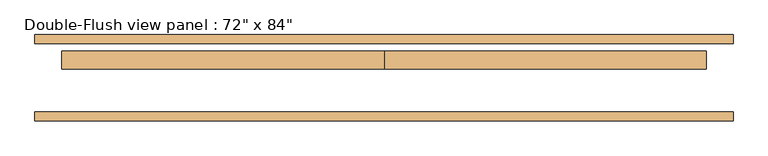
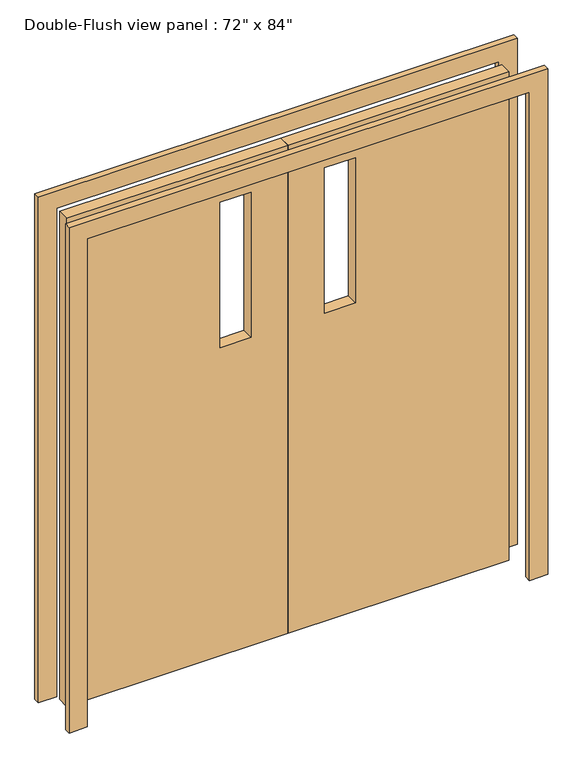
"""IFC4 building model written with IfcOpenShell, lengths in millimetres: door geometry."""

from ifc_helpers import new_model, si_unit, frame, origin, place, context, project, spatial, polyline, outline, extrude, source, transform, mapped, element, save


def door_afaa9343(model_context):
    return source(origin(), model_context, "Body", "SweptSolid", [
        extrude(outline(polyline([(2133.6, 0.0), (2133.6, -914.4), (0.0, -914.4), (0.0, 0.0), (2133.6, 0.0)]), holes=[polyline([(1981.2, -279.4), (1981.2, -152.4), (1346.2, -152.4), (1346.2, -279.4), (1981.2, -279.4)])]), frame((0.0, 25.4, 0.0), z_axis=(0.0, 1.0, 0.0), x_axis=(0.0, 0.0, 1.0)), (0.0, 0.0, 1.0), 50.8),
        extrude(outline(polyline([(2133.6, 0.0), (0.0, 0.0), (0.0, 914.4), (2133.6, 914.4), (2133.6, 0.0)]), holes=[polyline([(1981.2, 279.4), (1346.2, 279.4), (1346.2, 152.4), (1981.2, 152.4), (1981.2, 279.4)])]), frame((0.0, 25.4, 0.0), z_axis=(0.0, 1.0, 0.0), x_axis=(0.0, 0.0, 1.0)), (0.0, 0.0, 1.0), 50.8),
        extrude(outline(polyline([(2133.6, -914.4), (2133.6, 914.4), (0.0, 914.4), (0.0, 990.6), (2209.8, 990.6), (2209.8, -990.6), (0.0, -990.6), (0.0, -914.4), (2133.6, -914.4)])), frame((0.0, -122.2375, 0.0), z_axis=(0.0, 1.0, 0.0), x_axis=(0.0, 0.0, 1.0)), (0.0, 0.0, 1.0), 25.4),
        extrude(outline(polyline([(2133.6, -914.4), (2133.6, 914.4), (0.0, 914.4), (0.0, 990.6), (2209.8, 990.6), (2209.8, -990.6), (0.0, -990.6), (0.0, -914.4), (2133.6, -914.4)])), frame((0.0, 96.8375, 0.0), z_axis=(0.0, 1.0, 0.0), x_axis=(0.0, 0.0, 1.0)), (0.0, 0.0, 1.0), 25.4),
    ])


if __name__ == "__main__":
    model = new_model("IFC4")
    model_context = context("Model", 3, world=origin())
    ifc_project = project(units=[si_unit("LENGTHUNIT", "METRE", prefix="MILLI")], contexts=[model_context])
    site = spatial("IfcSite", under=ifc_project)
    building = spatial("IfcBuilding", under=site)
    placement = place(None, origin())
    door_shape = door_afaa9343(model_context)
    element("IfcDoor", 1, ObjectType="Double-Flush view panel : 72\" x 84\"", at=placement, inside=building, context=model_context, shape_type="MappedRepresentation", body=[
        mapped(door_shape, transform((0.0, 0.0, 0.0), x_axis=(1.0, 0.0, 0.0), y_axis=(0.0, 1.0, 0.0), z_axis=(0.0, 0.0, 1.0))),
    ])
    save(model, "model.ifc")
